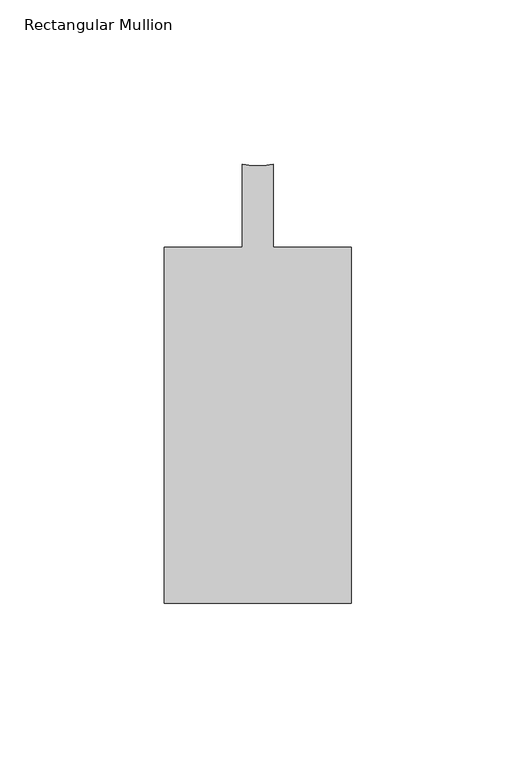
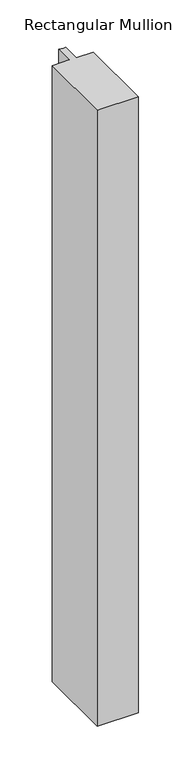
"""IFC4 building model written with IfcOpenShell, lengths in millimetres: member geometry, Rectangular Mullion."""

from ifc_helpers import new_model, si_unit, point, frame, frame_2d, origin, place, context, project, spatial, polyline, circle_curve, trimmed, segment, composite_curve, outline, extrude, source, transform, mapped, element, save


def rectangular_mullion_99ec8f72(model_context):
    return source(origin(), model_context, "Body", "SweptSolid", [
        extrude(outline(composite_curve([segment(polyline([(-28.575, -12.7), (-4.7624873, -12.7), (-4.7624873, 12.7)]), True, "CONTINUOUS"), segment(trimmed(circle_curve(frame_2d((1.27e-05, 29.4539151)), 17.4176657), [point((-4.7624873, 12.7))], [point((4.7625127, 12.7))], True, "CARTESIAN"), True, "CONTINUOUS"), segment(polyline([(4.7625127, 12.7), (4.7625127, -12.7), (28.575, -12.7), (28.575, -121.2596), (-28.575, -121.2596), (-28.575, -12.7)]), True, "CONTINUOUS")], self_intersect=False)), frame((0.0, 0.0, -905.019537), z_axis=(0.0, 0.0, 1.0), x_axis=(1.0, 0.0, 0.0)), (0.0, 0.0, 1.0), 905.019537),
    ])


if __name__ == "__main__":
    model = new_model("IFC4")
    model_context = context("Model", 3, world=origin())
    ifc_project = project(units=[si_unit("LENGTHUNIT", "METRE", prefix="MILLI")], contexts=[model_context])
    site = spatial("IfcSite", under=ifc_project)
    building = spatial("IfcBuilding", under=site)
    placement = place(None, origin())
    rectangular_mullion_shape = rectangular_mullion_99ec8f72(model_context)
    element("IfcMember", 1, ObjectType="Rectangular Mullion", at=placement, inside=building, context=model_context, shape_type="MappedRepresentation", body=[
        mapped(rectangular_mullion_shape, transform((0.0, 0.0, 0.0), x_axis=(1.0, 0.0, 0.0), y_axis=(0.0, 1.0, 0.0), z_axis=(0.0, 0.0, 1.0))),
    ])
    save(model, "model.ifc")
